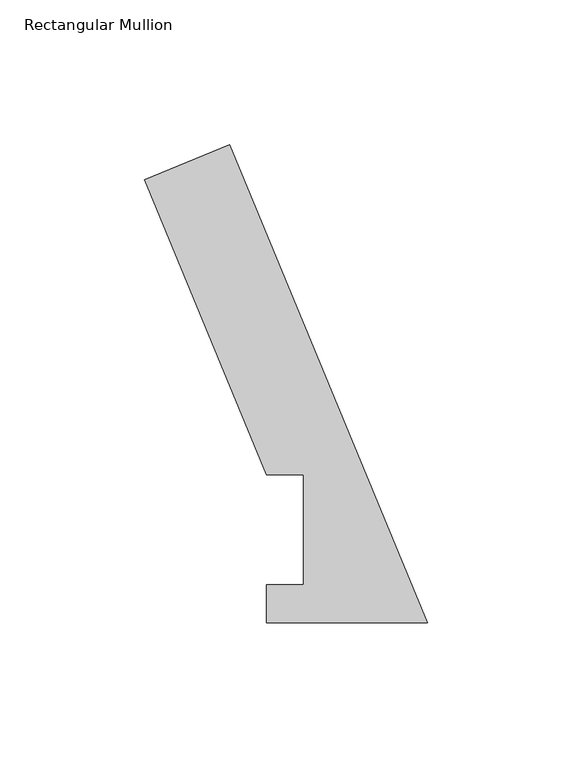
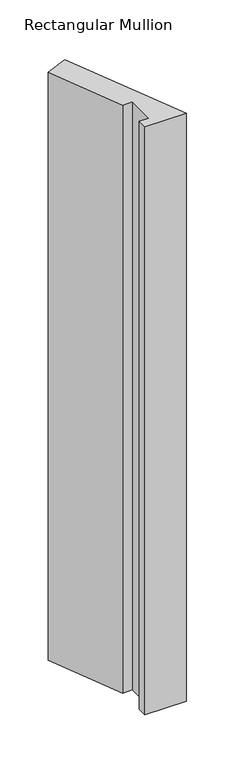
"""IFC4 building model written with IfcOpenShell, lengths in millimetres: member geometry, Rectangular Mullion."""

from ifc_helpers import new_model, si_unit, frame, origin, place, context, project, spatial, polyline, outline, extrude, source, transform, mapped, element, save


def rectangular_mullion_1310d712(model_context):
    return source(origin(), model_context, "Body", "SweptSolid", [
        extrude(outline(polyline([(-97.8168646, 153.2347441), (-68.4836894, 165.384943), (0.0, 0.0506912), (-55.6176679, 0.0506912), (-55.6176679, 13.2332912), (-42.8924931, 13.2332912), (-42.8924931, 51.2960937), (-55.5924931, 51.2960937), (-97.8168646, 153.2347441)])), frame((0.0, 0.0, -838.2000001), z_axis=(0.0, 0.0, 1.0), x_axis=(1.0, 0.0, 0.0)), (0.0, 0.0, 1.0), 838.2000001),
    ])


if __name__ == "__main__":
    model = new_model("IFC4")
    model_context = context("Model", 3, world=origin())
    ifc_project = project(units=[si_unit("LENGTHUNIT", "METRE", prefix="MILLI")], contexts=[model_context])
    site = spatial("IfcSite", under=ifc_project)
    building = spatial("IfcBuilding", under=site)
    placement = place(None, origin())
    rectangular_mullion_shape = rectangular_mullion_1310d712(model_context)
    element("IfcMember", 1, ObjectType="Rectangular Mullion", at=placement, inside=building, context=model_context, shape_type="MappedRepresentation", body=[
        mapped(rectangular_mullion_shape, transform((0.0, 0.0, 0.0), x_axis=(1.0, 0.0, 0.0), y_axis=(0.0, 1.0, 0.0), z_axis=(0.0, 0.0, 1.0))),
    ])
    save(model, "model.ifc")
